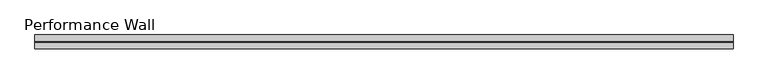
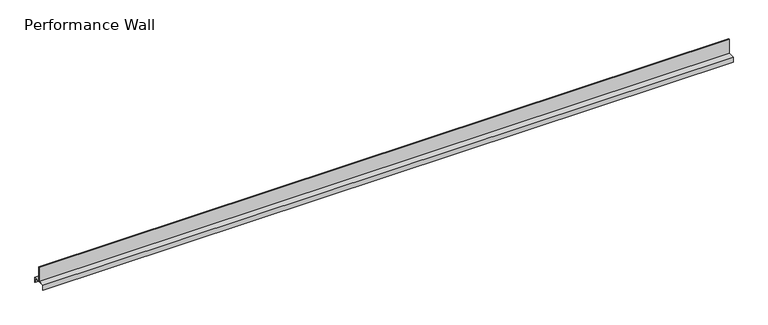
"""IFC4 building model written with IfcOpenShell, lengths in millimetres: furniture geometry, Performance Wall."""

from ifc_helpers import new_model, si_unit, frame, origin, place, context, project, spatial, polyline, outline, extrude, source, transform, mapped, element, save


def performance_wall_69aebf09(model_context):
    return source(origin(), model_context, "Body", "SweptSolid", [
        extrude(outline(polyline([(0.762, 17.78), (24.511, 17.78), (24.511, 0.0), (22.987, 0.0), (22.987, 16.256), (-22.987, 16.256), (-22.987, 0.0), (-24.511, 0.0), (-24.511, 17.78), (-0.762, 17.78), (-0.762, 71.501), (0.762, 71.501), (0.762, 17.78)])), frame((0.0, 0.0, 0.0), z_axis=(1.0, 0.0, 0.0), x_axis=(0.0, 1.0, 0.0)), (0.0, 0.0, 1.0), 2438.4),
    ])


if __name__ == "__main__":
    model = new_model("IFC4")
    model_context = context("Model", 3, world=origin())
    ifc_project = project(units=[si_unit("LENGTHUNIT", "METRE", prefix="MILLI")], contexts=[model_context])
    site = spatial("IfcSite", under=ifc_project)
    building = spatial("IfcBuilding", under=site)
    placement = place(None, origin())
    performance_wall_shape = performance_wall_69aebf09(model_context)
    element("IfcFurniture", 1, ObjectType="Performance Wall", at=placement, inside=building, context=model_context, shape_type="MappedRepresentation", body=[
        mapped(performance_wall_shape, transform((0.0, 0.0, 0.0), x_axis=(1.0, 0.0, 0.0), y_axis=(0.0, 1.0, 0.0), z_axis=(0.0, 0.0, 1.0))),
    ])
    save(model, "model.ifc")
